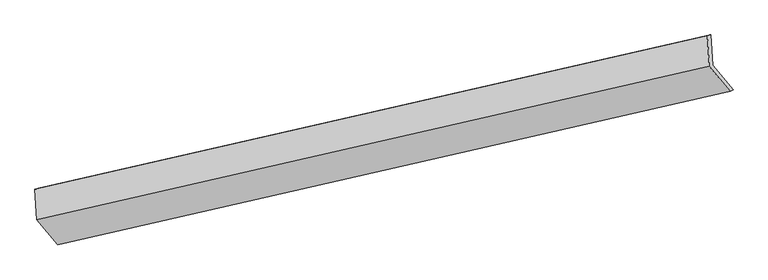
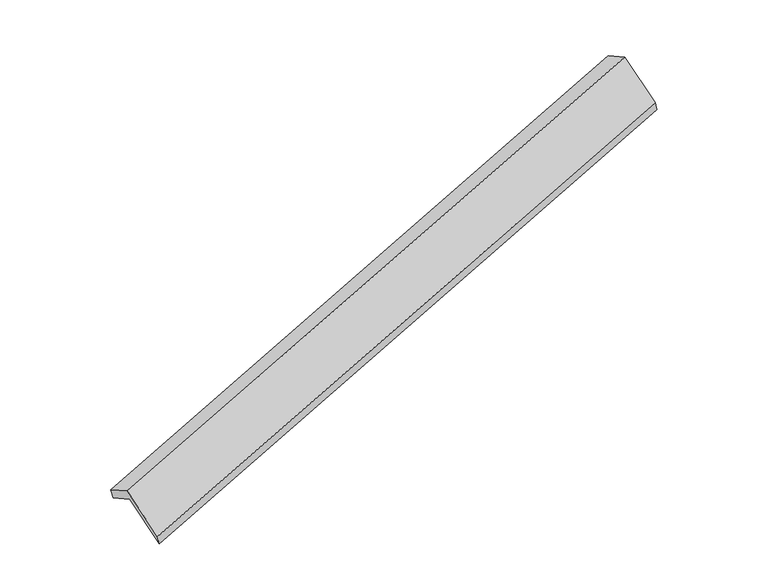
"""IFC4 building model written with IfcOpenShell, lengths in millimetres: proxy geometry."""

from ifc_helpers import new_model, si_unit, origin, place, context, project, spatial, faceted_brep, source, transform, mapped, element, save


def generic_models_a65fef1c(model_context):
    return source(origin(), model_context, "Body", "Brep", [
        faceted_brep([(-7361.0409334, -2537.7422224, 742.5530581), (-7384.6830801, -2135.2102672, 525.5429498), (1496.1841112, -109.1308971, 3305.6409141), (1519.8262579, -511.6628523, 3522.6510224), (-7430.9588879, -2147.1733817, 683.0575522), (1449.9083033, -121.0940116, 3463.1555166), (-7407.2727774, -2550.4538663, 900.4712023), (1473.5944138, -524.3744962, 3680.5691666), (-7132.1082045, -2881.4214407, 256.5818135), (1748.7589868, -855.3420706, 3036.6797778), (-7092.6532715, -2860.5585373, 114.521747), (1788.2139197, -834.4791672, 2894.6197113)], [[[0, 1, 2, 3]], [[1, 4, 5, 2]], [[4, 6, 7, 5]], [[6, 8, 9, 7]], [[8, 10, 11, 9]], [[10, 0, 3, 11]], [[9, 11, 3, 2, 5, 7]], [[0, 10, 8, 6, 4, 1]]]),
    ])


if __name__ == "__main__":
    model = new_model("IFC4")
    model_context = context("Model", 3, world=origin())
    ifc_project = project(units=[si_unit("LENGTHUNIT", "METRE", prefix="MILLI")], contexts=[model_context])
    site = spatial("IfcSite", under=ifc_project)
    building = spatial("IfcBuilding", under=site)
    placement = place(None, origin())
    generic_models_shape = generic_models_a65fef1c(model_context)
    element("IfcBuildingElementProxy", 1, Name="Generic Models", at=placement, inside=building, context=model_context, shape_type="MappedRepresentation", body=[
        mapped(generic_models_shape, transform((0.0, 0.0, 0.0), x_axis=(1.0, 0.0, 0.0), y_axis=(0.0, 1.0, 0.0), z_axis=(0.0, 0.0, 1.0))),
    ])
    save(model, "model.ifc")
